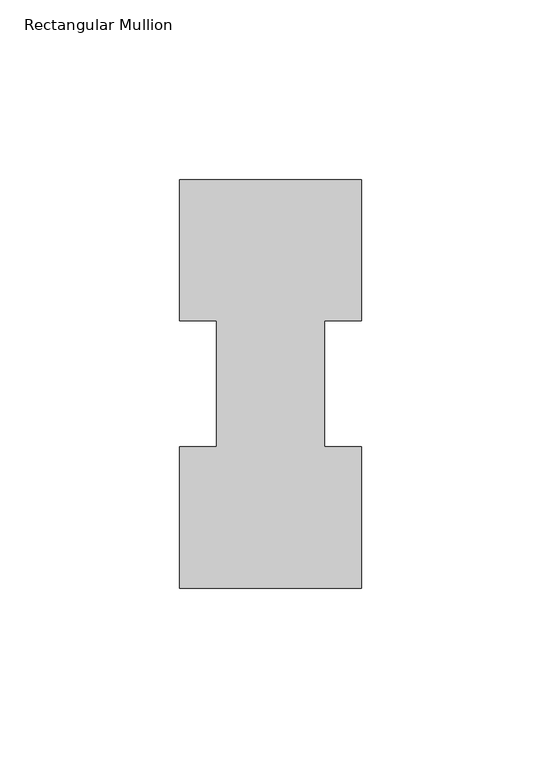
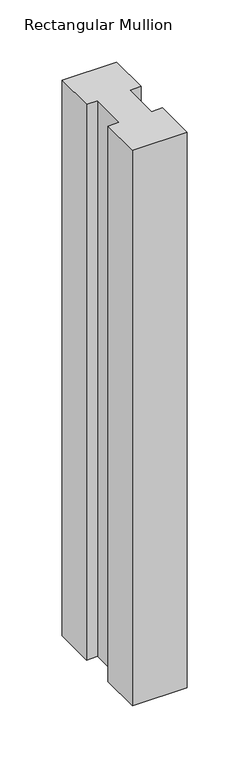
"""IFC4 building model written with IfcOpenShell, lengths in millimetres: member geometry, Rectangular Mullion."""

from ifc_helpers import new_model, si_unit, frame, origin, place, context, project, spatial, polyline, outline, extrude, source, transform, mapped, element, save


def rectangular_mullion_f258ce15(model_context):
    return source(origin(), model_context, "Body", "SweptSolid", [
        extrude(outline(polyline([(-50.8, 114.017425), (0.0, 114.017425), (0.0, 74.622025), (-10.3124046, 74.622025), (-10.3124046, 39.646225), (0.0, 39.646225), (0.0, 0.225425), (-50.8, 0.225425), (-50.8, 39.646225), (-40.4875954, 39.646225), (-40.4875954, 74.622025), (-50.8, 74.622025), (-50.8, 114.017425)])), frame((0.0, 0.0, -546.1), z_axis=(0.0, 0.0, 1.0), x_axis=(1.0, 0.0, 0.0)), (0.0, 0.0, 1.0), 546.1),
    ])


if __name__ == "__main__":
    model = new_model("IFC4")
    model_context = context("Model", 3, world=origin())
    ifc_project = project(units=[si_unit("LENGTHUNIT", "METRE", prefix="MILLI")], contexts=[model_context])
    site = spatial("IfcSite", under=ifc_project)
    building = spatial("IfcBuilding", under=site)
    placement = place(None, origin())
    rectangular_mullion_shape = rectangular_mullion_f258ce15(model_context)
    element("IfcMember", 1, ObjectType="Rectangular Mullion", at=placement, inside=building, context=model_context, shape_type="MappedRepresentation", body=[
        mapped(rectangular_mullion_shape, transform((0.0, 0.0, 0.0), x_axis=(1.0, 0.0, 0.0), y_axis=(0.0, 1.0, 0.0), z_axis=(0.0, 0.0, 1.0))),
    ])
    save(model, "model.ifc")
